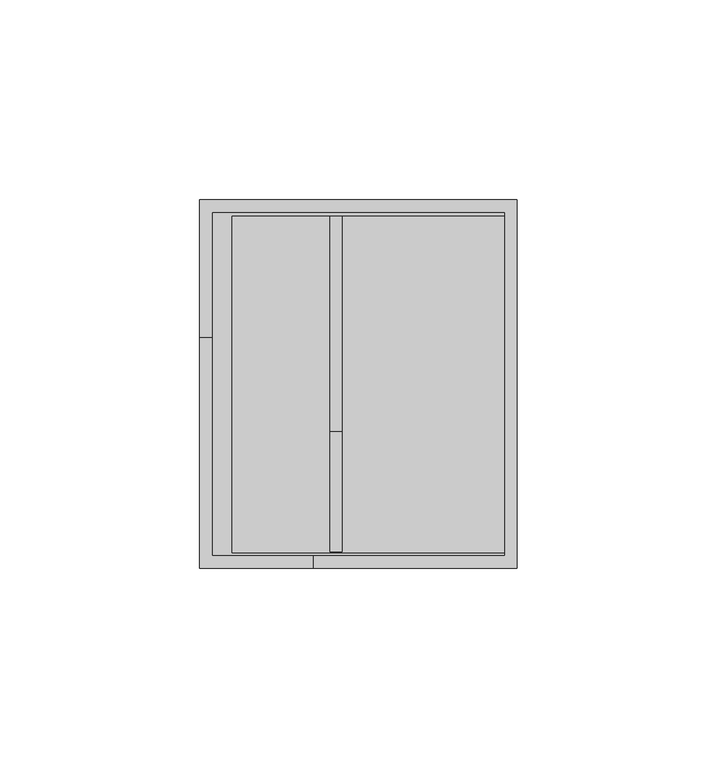
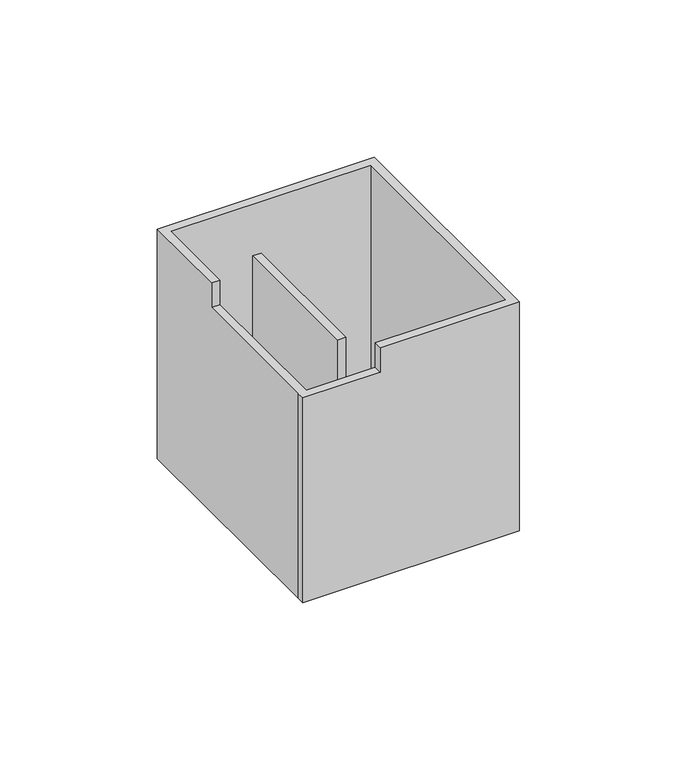
"""IFC4 building model written with IfcOpenShell, lengths in millimetres: furniture geometry."""

import ifcopenshell
import ifcopenshell.guid

model = None  # the IFC model being written
_history = None  # IfcOwnerHistory: only IFC2X3 demands one
_inside = {}  # id of a spatial element -> (the spatial element, [elements in it])
_under = {}  # id of a project, library or spatial element -> (it, [spatial elements below it])
_declared = {}  # id of a project -> (the project, [libraries it declares])
_typed = {}  # id of a type object -> (the type object, [elements of that type])
_made_of = {}  # id of a material, layer set ... -> (it, [elements and type objects made of it])


def new_model(schema):
    """Start an empty IFC model of exactly this schema.

    Asked for "IFC4X3", IfcOpenShell would pick the latest addendum, in which some entities
    have other attributes; the version numbers below select the first issue.
    IFC2X3 requires an IfcOwnerHistory on every rooted entity: one is made here for all.
    """
    global model, _history
    if schema == "IFC4X3":
        model = ifcopenshell.file(schema_version=(4, 3, 0, 0))
    else:
        model = ifcopenshell.file(schema=schema)
    _inside.clear()
    _under.clear()
    _declared.clear()
    _typed.clear()
    _made_of.clear()
    _history = None
    if model.schema == "IFC2X3":
        org = make("IfcOrganization", Name="unknown")
        user = make(
            "IfcPersonAndOrganization",
            ThePerson=make("IfcPerson", FamilyName="unknown"),
            TheOrganization=org,
        )
        app = make(
            "IfcApplication",
            ApplicationDeveloper=org,
            Version="unknown",
            ApplicationFullName="unknown",
            ApplicationIdentifier="unknown",
        )
        _history = make(
            "IfcOwnerHistory",
            OwningUser=user,
            OwningApplication=app,
            ChangeAction="ADDED",
            CreationDate=0,
        )
    return model


def make(cls, **values):
    """One entity of the class cls with the attributes given. An attribute that is None is left unset."""
    return model.create_entity(
        cls, **{name: value for name, value in values.items() if value is not None}
    )


def rooted(cls, **values):
    """An entity with a GlobalId (a new one), such as an element, a storey or a relation."""
    return make(cls, GlobalId=ifcopenshell.guid.new(), OwnerHistory=_history, **values)


def si_unit(unit_type, name, prefix=None):
    """IfcSIUnit, for example si_unit("LENGTHUNIT", "METRE", prefix="MILLI")."""
    return make("IfcSIUnit", UnitType=unit_type, Prefix=prefix, Name=name)


def assignment(units):
    """IfcUnitAssignment: the units of a project."""
    return None if units is None else make("IfcUnitAssignment", Units=units)


def point(xyz):
    """IfcCartesianPoint."""
    return None if xyz is None else make("IfcCartesianPoint", Coordinates=xyz)


def direction(xyz):
    """IfcDirection."""
    return None if xyz is None else make("IfcDirection", DirectionRatios=xyz)


def frame(location, z_axis=None, x_axis=None):
    """IfcAxis2Placement3D, a coordinate frame: its origin and axes. An axis left out is left unset."""
    return make(
        "IfcAxis2Placement3D",
        Location=point(location),
        Axis=direction(z_axis),
        RefDirection=direction(x_axis),
    )


def origin():
    """The frame at (0, 0, 0) with its axes left unset."""
    return frame((0.0, 0.0, 0.0))


def place(relative_to, where):
    """IfcLocalPlacement: puts the frame where relative to a parent placement (None: the world)."""
    return make(
        "IfcLocalPlacement", PlacementRelTo=relative_to, RelativePlacement=where
    )


def context(
    kind, dimensions, precision=None, world=None, true_north=None, identifier=None
):
    """IfcGeometricRepresentationContext, for example the 3D "Model" context."""
    return make(
        "IfcGeometricRepresentationContext",
        ContextIdentifier=identifier,
        ContextType=kind,
        CoordinateSpaceDimension=dimensions,
        Precision=precision,
        WorldCoordinateSystem=world,
        TrueNorth=true_north,
    )


def project(units=None, contexts=None):
    """IfcProject with its units and contexts."""
    return rooted(
        "IfcProject",
        Name="project",
        RepresentationContexts=contexts,
        UnitsInContext=assignment(units),
    )


def spatial(cls, under=None, at=None, **own):
    """A site, building, storey or space (cls), placed at a placement, below another one or the project."""
    s = rooted(cls, ObjectPlacement=at, **own)
    if under is not None:
        _under.setdefault(under.id(), (under, []))[1].append(s)
    return s


def polyline(points):
    """IfcPolyline through the points."""
    return make("IfcPolyline", Points=[point(p) for p in points])


def outline(outer, holes=None, kind="AREA"):
    """IfcArbitraryClosedProfileDef: a profile drawn as a closed curve; with holes, ...WithVoids."""
    if holes is None:
        return make("IfcArbitraryClosedProfileDef", ProfileType=kind, OuterCurve=outer)
    return make(
        "IfcArbitraryProfileDefWithVoids",
        ProfileType=kind,
        OuterCurve=outer,
        InnerCurves=holes,
    )


def extrude(swept, where, along, depth):
    """IfcExtrudedAreaSolid: the profile swept, set in the frame where, extruded along a direction by depth."""
    return make(
        "IfcExtrudedAreaSolid",
        SweptArea=swept,
        Position=where,
        ExtrudedDirection=direction(along),
        Depth=depth,
    )


def faces_of(points, faces, orient=None, outer=None):
    """IfcFace entities. A face is a list of loops; a loop is a list of indices into points, from 0.

    orient and outer hold one flag for each loop. By default every Orientation is true, the
    first loop of a face is its IfcFaceOuterBound and the others are IfcFaceBound.
    """
    made = []
    for i, loops in enumerate(faces):
        bounds = []
        for j, loop in enumerate(loops):
            is_outer = j == 0 if outer is None else outer[i][j]
            bounds.append(
                make(
                    "IfcFaceOuterBound" if is_outer else "IfcFaceBound",
                    Bound=make("IfcPolyLoop", Polygon=[points[k] for k in loop]),
                    Orientation=True if orient is None else orient[i][j],
                )
            )
        made.append(make("IfcFace", Bounds=bounds))
    return made


def faceted_brep(points, faces, orient=None, outer=None, voids=None):
    """IfcFacetedBrep: a solid bounded by flat faces; with voids (closed shells), ...WithVoids."""
    shared = [point(p) for p in points]
    hull = make("IfcClosedShell", CfsFaces=faces_of(shared, faces, orient, outer))
    if voids is None:
        return make("IfcFacetedBrep", Outer=hull)
    return make(
        "IfcFacetedBrepWithVoids",
        Outer=hull,
        Voids=[
            make(cls, CfsFaces=faces_of(shared, fs, o, b)) for cls, fs, o, b in voids
        ],
    )


def shape(context_of_items, identifier, shape_type, items):
    """IfcShapeRepresentation: the items that make up one representation, for example the "Body"."""
    return make(
        "IfcShapeRepresentation",
        ContextOfItems=context_of_items,
        RepresentationIdentifier=identifier,
        RepresentationType=shape_type,
        Items=items,
    )


def source(mapping_origin, context_of_items, identifier, shape_type, items):
    """IfcRepresentationMap: a shape defined once, which mapped items show again and again."""
    return make(
        "IfcRepresentationMap",
        MappingOrigin=mapping_origin,
        MappedRepresentation=shape(context_of_items, identifier, shape_type, items),
    )


def transform(
    local_origin,
    x_axis=None,
    y_axis=None,
    z_axis=None,
    scale=None,
    scale2=None,
    scale3=None,
    uniform=True,
):
    """IfcCartesianTransformationOperator3D, or its non-uniform kind. x_axis, y_axis, z_axis: its Axis1, 2, 3."""
    if uniform:
        return make(
            "IfcCartesianTransformationOperator3D",
            Axis1=direction(x_axis),
            Axis2=direction(y_axis),
            LocalOrigin=point(local_origin),
            Scale=scale,
            Axis3=direction(z_axis),
        )
    return make(
        "IfcCartesianTransformationOperator3DnonUniform",
        Axis1=direction(x_axis),
        Axis2=direction(y_axis),
        LocalOrigin=point(local_origin),
        Scale=scale,
        Axis3=direction(z_axis),
        Scale2=scale2,
        Scale3=scale3,
    )


def mapped(mapping_source, mapping_target):
    """IfcMappedItem: shows the shape of a source again, moved by a transform."""
    return make(
        "IfcMappedItem", MappingSource=mapping_source, MappingTarget=mapping_target
    )


def made_of(thing, what):
    """Note that an element or type object is made of a material, layer set ...; save() writes the relation."""
    if what is not None:
        _made_of.setdefault(what.id(), (what, []))[1].append(thing)
    return thing


def element(
    cls,
    number,
    at=None,
    inside=None,
    cuts=None,
    type_object=None,
    material=None,
    context=None,
    identifier="Body",
    shape_type=None,
    held_by="IfcProductDefinitionShape",
    body=None,
    shapes=None,
    **own,
):
    """One element of the class cls, such as IfcWall. Its Tag is "e" and its number.

    at: its placement. inside: the storey or other place that contains it. cuts: it is an
    opening in that element (IfcRelVoidsElement). A single representation is given by context,
    identifier, shape_type and body (its items); several are given by shapes. held_by: the class
    of the entity that holds the representations. save() writes the other relations.
    """
    e = rooted(cls, Tag="e%d" % number, ObjectPlacement=at, **own)
    if body is not None:
        shapes = [shape(context, identifier, shape_type, body)]
    if shapes is not None:
        e.Representation = make(held_by, Representations=shapes)
    if inside is not None:
        _inside.setdefault(inside.id(), (inside, []))[1].append(e)
    if cuts is not None:
        rooted(
            "IfcRelVoidsElement", RelatingBuildingElement=cuts, RelatedOpeningElement=e
        )
    if type_object is not None:
        _typed.setdefault(type_object.id(), (type_object, []))[1].append(e)
    return made_of(e, material)


def aggregate(whole, parts):
    """IfcRelAggregates: a whole, such as a stair, and the parts it consists of."""
    return rooted("IfcRelAggregates", RelatingObject=whole, RelatedObjects=parts)


def save(model, path):
    """Write the relations noted so far, then the file.

    IfcRelAggregates (storeys below a building ...), IfcRelContainedInSpatialStructure (elements
    in a storey), IfcRelDefinesByType, IfcRelAssociatesMaterial and IfcRelDeclares: one each for
    every whole, place, type object, material and project.
    """
    for whole, parts in _under.values():
        aggregate(whole, parts)
    for where, things in _inside.values():
        rooted(
            "IfcRelContainedInSpatialStructure",
            RelatedElements=things,
            RelatingStructure=where,
        )
    for kind, things in _typed.values():
        rooted("IfcRelDefinesByType", RelatedObjects=things, RelatingType=kind)
    for what, things in _made_of.values():
        rooted("IfcRelAssociatesMaterial", RelatedObjects=things, RelatingMaterial=what)
    for by, libraries in _declared.values():
        rooted("IfcRelDeclares", RelatingContext=by, RelatedDefinitions=libraries)
    model.write(path)


def furniture_b9c35423(model_context):
    return source(origin(), model_context, "Body", "SolidModel", [
        extrude(outline(polyline([(75.5791077, -3.7972973), (75.5791077, -88.2776785), (3.7974426, -88.2776785), (3.7974426, -3.7972973), (75.5791077, -3.7972973)]), holes=[polyline([(5.4485046, -86.6266891), (73.9280457, -86.6266891), (73.9280457, -5.4482866), (5.4485046, -5.4482866), (5.4485046, -86.6266891)])]), frame((0.0, 0.0, 723.9), z_axis=(0.0, 0.0, 1.0), x_axis=(1.0, 0.0, 0.0)), (0.0, 0.0, 1.0), 3.0479971),
        extrude(outline(polyline([(76.3280148, -89.0269787), (3.0486511, -89.0269787), (3.0486511, -3.0479971), (76.3280148, -3.0479971), (76.3280148, -89.0269787)])), frame((0.0, 0.0, 726.9479971), z_axis=(0.0, 0.0, 1.0), x_axis=(1.0, 0.0, 0.0)), (0.0, 0.0, 1.0), 3.0480029),
        extrude(outline(polyline([(76.3280148, -4.0639961), (76.3280148, -88.2776785), (8.1290148, -88.2776785), (8.1290148, -4.0639961), (76.3280148, -4.0639961)])), frame((0.0, 0.0, 729.996), z_axis=(0.0, 0.0, 1.0), x_axis=(1.0, 0.0, 0.0)), (0.0, 0.0, 1.0), 3.0479913),
        extrude(outline(polyline([(-4.064, 796.5439671), (-4.064, 733.0439913), (-88.011, 733.0439913), (-88.011, 753.6688225), (-57.8357866, 753.6688225), (-57.8357866, 796.5439671), (-4.064, 796.5439671)])), frame((32.5892148, 0.0, 0.0), z_axis=(1.0, 0.0, 0.0), x_axis=(0.0, 1.0, 0.0)), (0.0, 0.0, 1.0), 3.048),
        faceted_brep([(79.3765503, 0.0, 815.8480213), (0.0, 0.0, 815.8480213), (0.0, -34.31542, 815.8480213), (3.0486511, -34.31542, 815.8480213), (3.0486511, -3.0479971, 815.8480213), (76.3280148, -3.0479971, 815.8480213), (76.3280148, -89.0269787, 815.8480213), (28.4494263, -89.0269787, 815.8480213), (28.4494263, -92.075, 815.8480213), (79.3765503, -92.075, 815.8480213), (79.3765503, 0.0, 726.9479971), (79.3765503, -92.075, 726.9479971), (0.0, -92.075, 726.9479971), (0.0, -89.027, 726.9479971), (0.0, 0.0, 726.9479971), (76.3280148, -89.0269787, 726.9479971), (76.3280148, -3.0479971, 726.9479971), (3.0486511, -3.0479971, 726.9479971), (3.0490148, -89.027, 726.9479971), (0.0, -89.027, 806.323), (0.0, -34.31542, 806.323), (3.0486511, -34.31542, 806.323), (3.0486511, -89.027, 806.323), (28.4494263, -89.0269787, 806.323), (28.4494263, -92.075, 806.323), (0.0, -92.075, 806.323)], [[[0, 1, 2, 3, 4, 5, 6, 7, 8, 9]], [[10, 11, 12, 13, 14], [15, 16, 17, 18]], [[1, 0, 10, 14]], [[2, 1, 14, 13, 19, 20]], [[3, 2, 20, 21]], [[4, 3, 21, 22, 18, 17]], [[5, 4, 17, 16]], [[6, 5, 16, 15]], [[7, 6, 15, 18, 22, 23]], [[8, 7, 23, 24]], [[9, 8, 24, 25, 12, 11]], [[0, 9, 11, 10]], [[20, 19, 25, 24, 23, 22, 21]], [[25, 19, 13, 12]]]),
    ])


if __name__ == "__main__":
    model = new_model("IFC4")
    model_context = context("Model", 3, world=origin())
    ifc_project = project(units=[si_unit("LENGTHUNIT", "METRE", prefix="MILLI")], contexts=[model_context])
    site = spatial("IfcSite", under=ifc_project)
    building = spatial("IfcBuilding", under=site)
    placement = place(None, origin())
    furniture_shape = furniture_b9c35423(model_context)
    element("IfcFurniture", 1, at=placement, inside=building, context=model_context, shape_type="MappedRepresentation", body=[
        mapped(furniture_shape, transform((0.0, 0.0, 0.0), x_axis=(1.0, 0.0, 0.0), y_axis=(0.0, 1.0, 0.0), z_axis=(0.0, 0.0, 1.0))),
    ])
    save(model, "model.ifc")
